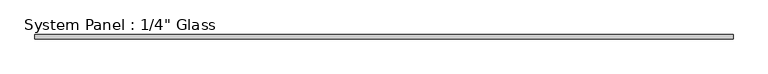
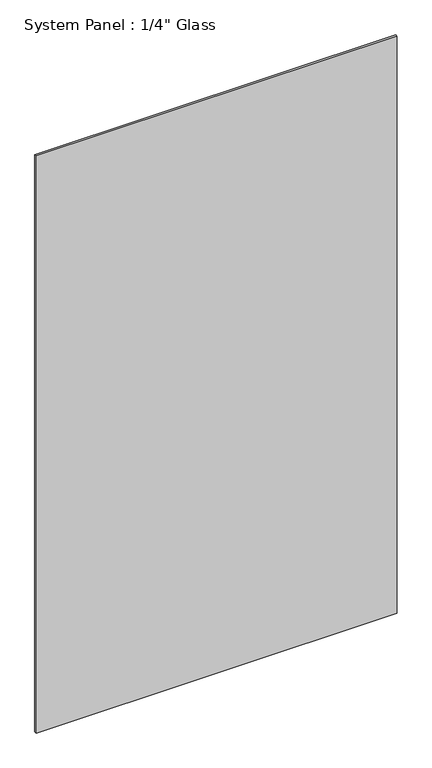
"""IFC4 building model written with IfcOpenShell, lengths in millimetres: plate geometry."""

import ifcopenshell
import ifcopenshell.guid

model = None  # the IFC model being written
_history = None  # IfcOwnerHistory: only IFC2X3 demands one
_inside = {}  # id of a spatial element -> (the spatial element, [elements in it])
_under = {}  # id of a project, library or spatial element -> (it, [spatial elements below it])
_declared = {}  # id of a project -> (the project, [libraries it declares])
_typed = {}  # id of a type object -> (the type object, [elements of that type])
_made_of = {}  # id of a material, layer set ... -> (it, [elements and type objects made of it])


def new_model(schema):
    """Start an empty IFC model of exactly this schema.

    Asked for "IFC4X3", IfcOpenShell would pick the latest addendum, in which some entities
    have other attributes; the version numbers below select the first issue.
    IFC2X3 requires an IfcOwnerHistory on every rooted entity: one is made here for all.
    """
    global model, _history
    if schema == "IFC4X3":
        model = ifcopenshell.file(schema_version=(4, 3, 0, 0))
    else:
        model = ifcopenshell.file(schema=schema)
    _inside.clear()
    _under.clear()
    _declared.clear()
    _typed.clear()
    _made_of.clear()
    _history = None
    if model.schema == "IFC2X3":
        org = make("IfcOrganization", Name="unknown")
        user = make(
            "IfcPersonAndOrganization",
            ThePerson=make("IfcPerson", FamilyName="unknown"),
            TheOrganization=org,
        )
        app = make(
            "IfcApplication",
            ApplicationDeveloper=org,
            Version="unknown",
            ApplicationFullName="unknown",
            ApplicationIdentifier="unknown",
        )
        _history = make(
            "IfcOwnerHistory",
            OwningUser=user,
            OwningApplication=app,
            ChangeAction="ADDED",
            CreationDate=0,
        )
    return model


def make(cls, **values):
    """One entity of the class cls with the attributes given. An attribute that is None is left unset."""
    return model.create_entity(
        cls, **{name: value for name, value in values.items() if value is not None}
    )


def rooted(cls, **values):
    """An entity with a GlobalId (a new one), such as an element, a storey or a relation."""
    return make(cls, GlobalId=ifcopenshell.guid.new(), OwnerHistory=_history, **values)


def si_unit(unit_type, name, prefix=None):
    """IfcSIUnit, for example si_unit("LENGTHUNIT", "METRE", prefix="MILLI")."""
    return make("IfcSIUnit", UnitType=unit_type, Prefix=prefix, Name=name)


def assignment(units):
    """IfcUnitAssignment: the units of a project."""
    return None if units is None else make("IfcUnitAssignment", Units=units)


def point(xyz):
    """IfcCartesianPoint."""
    return None if xyz is None else make("IfcCartesianPoint", Coordinates=xyz)


def direction(xyz):
    """IfcDirection."""
    return None if xyz is None else make("IfcDirection", DirectionRatios=xyz)


def frame(location, z_axis=None, x_axis=None):
    """IfcAxis2Placement3D, a coordinate frame: its origin and axes. An axis left out is left unset."""
    return make(
        "IfcAxis2Placement3D",
        Location=point(location),
        Axis=direction(z_axis),
        RefDirection=direction(x_axis),
    )


def origin():
    """The frame at (0, 0, 0) with its axes left unset."""
    return frame((0.0, 0.0, 0.0))


def origin_with_axes():
    """The frame at (0, 0, 0) with the z axis (0, 0, 1) and the x axis (1, 0, 0) written out."""
    return frame((0.0, 0.0, 0.0), z_axis=(0.0, 0.0, 1.0), x_axis=(1.0, 0.0, 0.0))


def place(relative_to, where):
    """IfcLocalPlacement: puts the frame where relative to a parent placement (None: the world)."""
    return make(
        "IfcLocalPlacement", PlacementRelTo=relative_to, RelativePlacement=where
    )


def context(
    kind, dimensions, precision=None, world=None, true_north=None, identifier=None
):
    """IfcGeometricRepresentationContext, for example the 3D "Model" context."""
    return make(
        "IfcGeometricRepresentationContext",
        ContextIdentifier=identifier,
        ContextType=kind,
        CoordinateSpaceDimension=dimensions,
        Precision=precision,
        WorldCoordinateSystem=world,
        TrueNorth=true_north,
    )


def project(units=None, contexts=None):
    """IfcProject with its units and contexts."""
    return rooted(
        "IfcProject",
        Name="project",
        RepresentationContexts=contexts,
        UnitsInContext=assignment(units),
    )


def spatial(cls, under=None, at=None, **own):
    """A site, building, storey or space (cls), placed at a placement, below another one or the project."""
    s = rooted(cls, ObjectPlacement=at, **own)
    if under is not None:
        _under.setdefault(under.id(), (under, []))[1].append(s)
    return s


def polyline(points):
    """IfcPolyline through the points."""
    return make("IfcPolyline", Points=[point(p) for p in points])


def outline(outer, holes=None, kind="AREA"):
    """IfcArbitraryClosedProfileDef: a profile drawn as a closed curve; with holes, ...WithVoids."""
    if holes is None:
        return make("IfcArbitraryClosedProfileDef", ProfileType=kind, OuterCurve=outer)
    return make(
        "IfcArbitraryProfileDefWithVoids",
        ProfileType=kind,
        OuterCurve=outer,
        InnerCurves=holes,
    )


def extrude(swept, where, along, depth):
    """IfcExtrudedAreaSolid: the profile swept, set in the frame where, extruded along a direction by depth."""
    return make(
        "IfcExtrudedAreaSolid",
        SweptArea=swept,
        Position=where,
        ExtrudedDirection=direction(along),
        Depth=depth,
    )


def shape(context_of_items, identifier, shape_type, items):
    """IfcShapeRepresentation: the items that make up one representation, for example the "Body"."""
    return make(
        "IfcShapeRepresentation",
        ContextOfItems=context_of_items,
        RepresentationIdentifier=identifier,
        RepresentationType=shape_type,
        Items=items,
    )


def source(mapping_origin, context_of_items, identifier, shape_type, items):
    """IfcRepresentationMap: a shape defined once, which mapped items show again and again."""
    return make(
        "IfcRepresentationMap",
        MappingOrigin=mapping_origin,
        MappedRepresentation=shape(context_of_items, identifier, shape_type, items),
    )


def transform(
    local_origin,
    x_axis=None,
    y_axis=None,
    z_axis=None,
    scale=None,
    scale2=None,
    scale3=None,
    uniform=True,
):
    """IfcCartesianTransformationOperator3D, or its non-uniform kind. x_axis, y_axis, z_axis: its Axis1, 2, 3."""
    if uniform:
        return make(
            "IfcCartesianTransformationOperator3D",
            Axis1=direction(x_axis),
            Axis2=direction(y_axis),
            LocalOrigin=point(local_origin),
            Scale=scale,
            Axis3=direction(z_axis),
        )
    return make(
        "IfcCartesianTransformationOperator3DnonUniform",
        Axis1=direction(x_axis),
        Axis2=direction(y_axis),
        LocalOrigin=point(local_origin),
        Scale=scale,
        Axis3=direction(z_axis),
        Scale2=scale2,
        Scale3=scale3,
    )


def mapped(mapping_source, mapping_target):
    """IfcMappedItem: shows the shape of a source again, moved by a transform."""
    return make(
        "IfcMappedItem", MappingSource=mapping_source, MappingTarget=mapping_target
    )


def made_of(thing, what):
    """Note that an element or type object is made of a material, layer set ...; save() writes the relation."""
    if what is not None:
        _made_of.setdefault(what.id(), (what, []))[1].append(thing)
    return thing


def element(
    cls,
    number,
    at=None,
    inside=None,
    cuts=None,
    type_object=None,
    material=None,
    context=None,
    identifier="Body",
    shape_type=None,
    held_by="IfcProductDefinitionShape",
    body=None,
    shapes=None,
    **own,
):
    """One element of the class cls, such as IfcWall. Its Tag is "e" and its number.

    at: its placement. inside: the storey or other place that contains it. cuts: it is an
    opening in that element (IfcRelVoidsElement). A single representation is given by context,
    identifier, shape_type and body (its items); several are given by shapes. held_by: the class
    of the entity that holds the representations. save() writes the other relations.
    """
    e = rooted(cls, Tag="e%d" % number, ObjectPlacement=at, **own)
    if body is not None:
        shapes = [shape(context, identifier, shape_type, body)]
    if shapes is not None:
        e.Representation = make(held_by, Representations=shapes)
    if inside is not None:
        _inside.setdefault(inside.id(), (inside, []))[1].append(e)
    if cuts is not None:
        rooted(
            "IfcRelVoidsElement", RelatingBuildingElement=cuts, RelatedOpeningElement=e
        )
    if type_object is not None:
        _typed.setdefault(type_object.id(), (type_object, []))[1].append(e)
    return made_of(e, material)


def aggregate(whole, parts):
    """IfcRelAggregates: a whole, such as a stair, and the parts it consists of."""
    return rooted("IfcRelAggregates", RelatingObject=whole, RelatedObjects=parts)


def save(model, path):
    """Write the relations noted so far, then the file.

    IfcRelAggregates (storeys below a building ...), IfcRelContainedInSpatialStructure (elements
    in a storey), IfcRelDefinesByType, IfcRelAssociatesMaterial and IfcRelDeclares: one each for
    every whole, place, type object, material and project.
    """
    for whole, parts in _under.values():
        aggregate(whole, parts)
    for where, things in _inside.values():
        rooted(
            "IfcRelContainedInSpatialStructure",
            RelatedElements=things,
            RelatingStructure=where,
        )
    for kind, things in _typed.values():
        rooted("IfcRelDefinesByType", RelatedObjects=things, RelatingType=kind)
    for what, things in _made_of.values():
        rooted("IfcRelAssociatesMaterial", RelatedObjects=things, RelatingMaterial=what)
    for by, libraries in _declared.values():
        rooted("IfcRelDeclares", RelatingContext=by, RelatedDefinitions=libraries)
    model.write(path)


def plate_703a0e75(model_context):
    return source(origin(), model_context, "Body", "SweptSolid", [
        extrude(outline(polyline([(501.65, -3.175), (-501.65, -3.175), (-501.65, 3.175), (501.65, 3.175), (501.65, -3.175)])), origin_with_axes(), (0.0, 0.0, 1.0), 1695.45),
    ])


if __name__ == "__main__":
    model = new_model("IFC4")
    model_context = context("Model", 3, world=origin())
    ifc_project = project(units=[si_unit("LENGTHUNIT", "METRE", prefix="MILLI")], contexts=[model_context])
    site = spatial("IfcSite", under=ifc_project)
    building = spatial("IfcBuilding", under=site)
    placement = place(None, origin())
    plate_shape = plate_703a0e75(model_context)
    element("IfcPlate", 1, ObjectType="System Panel : 1/4\" Glass", at=placement, inside=building, context=model_context, shape_type="MappedRepresentation", body=[
        mapped(plate_shape, transform((0.0, 0.0, 0.0), x_axis=(1.0, 0.0, 0.0), y_axis=(0.0, 1.0, 0.0), z_axis=(0.0, 0.0, 1.0))),
    ])
    save(model, "model.ifc")
